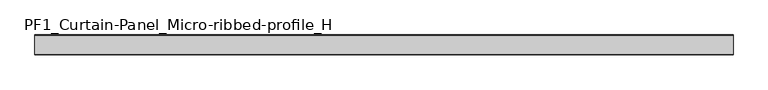
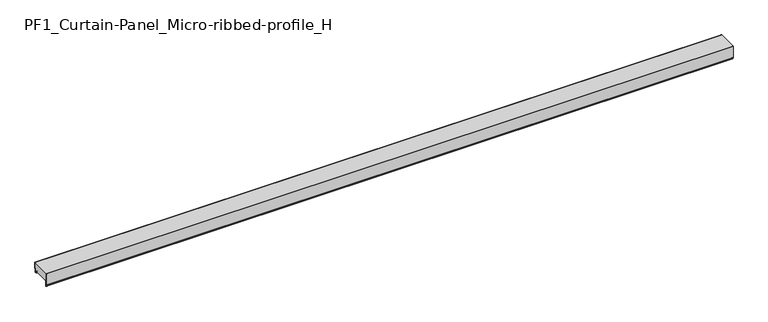
"""IFC4 building model written with IfcOpenShell, lengths in millimetres: plate geometry, PF1_Curtain-Panel_Micro-ribbed-profile_H."""

import ifcopenshell
import ifcopenshell.guid

model = None  # the IFC model being written
_history = None  # IfcOwnerHistory: only IFC2X3 demands one
_inside = {}  # id of a spatial element -> (the spatial element, [elements in it])
_under = {}  # id of a project, library or spatial element -> (it, [spatial elements below it])
_declared = {}  # id of a project -> (the project, [libraries it declares])
_typed = {}  # id of a type object -> (the type object, [elements of that type])
_made_of = {}  # id of a material, layer set ... -> (it, [elements and type objects made of it])


def new_model(schema):
    """Start an empty IFC model of exactly this schema.

    Asked for "IFC4X3", IfcOpenShell would pick the latest addendum, in which some entities
    have other attributes; the version numbers below select the first issue.
    IFC2X3 requires an IfcOwnerHistory on every rooted entity: one is made here for all.
    """
    global model, _history
    if schema == "IFC4X3":
        model = ifcopenshell.file(schema_version=(4, 3, 0, 0))
    else:
        model = ifcopenshell.file(schema=schema)
    _inside.clear()
    _under.clear()
    _declared.clear()
    _typed.clear()
    _made_of.clear()
    _history = None
    if model.schema == "IFC2X3":
        org = make("IfcOrganization", Name="unknown")
        user = make(
            "IfcPersonAndOrganization",
            ThePerson=make("IfcPerson", FamilyName="unknown"),
            TheOrganization=org,
        )
        app = make(
            "IfcApplication",
            ApplicationDeveloper=org,
            Version="unknown",
            ApplicationFullName="unknown",
            ApplicationIdentifier="unknown",
        )
        _history = make(
            "IfcOwnerHistory",
            OwningUser=user,
            OwningApplication=app,
            ChangeAction="ADDED",
            CreationDate=0,
        )
    return model


def make(cls, **values):
    """One entity of the class cls with the attributes given. An attribute that is None is left unset."""
    return model.create_entity(
        cls, **{name: value for name, value in values.items() if value is not None}
    )


def rooted(cls, **values):
    """An entity with a GlobalId (a new one), such as an element, a storey or a relation."""
    return make(cls, GlobalId=ifcopenshell.guid.new(), OwnerHistory=_history, **values)


def si_unit(unit_type, name, prefix=None):
    """IfcSIUnit, for example si_unit("LENGTHUNIT", "METRE", prefix="MILLI")."""
    return make("IfcSIUnit", UnitType=unit_type, Prefix=prefix, Name=name)


def assignment(units):
    """IfcUnitAssignment: the units of a project."""
    return None if units is None else make("IfcUnitAssignment", Units=units)


def point(xyz):
    """IfcCartesianPoint."""
    return None if xyz is None else make("IfcCartesianPoint", Coordinates=xyz)


def direction(xyz):
    """IfcDirection."""
    return None if xyz is None else make("IfcDirection", DirectionRatios=xyz)


def frame(location, z_axis=None, x_axis=None):
    """IfcAxis2Placement3D, a coordinate frame: its origin and axes. An axis left out is left unset."""
    return make(
        "IfcAxis2Placement3D",
        Location=point(location),
        Axis=direction(z_axis),
        RefDirection=direction(x_axis),
    )


def frame_2d(location, x_axis=None):
    """IfcAxis2Placement2D, a coordinate frame in the plane: its origin and x axis."""
    return make(
        "IfcAxis2Placement2D", Location=point(location), RefDirection=direction(x_axis)
    )


def origin():
    """The frame at (0, 0, 0) with its axes left unset."""
    return frame((0.0, 0.0, 0.0))


def place(relative_to, where):
    """IfcLocalPlacement: puts the frame where relative to a parent placement (None: the world)."""
    return make(
        "IfcLocalPlacement", PlacementRelTo=relative_to, RelativePlacement=where
    )


def context(
    kind, dimensions, precision=None, world=None, true_north=None, identifier=None
):
    """IfcGeometricRepresentationContext, for example the 3D "Model" context."""
    return make(
        "IfcGeometricRepresentationContext",
        ContextIdentifier=identifier,
        ContextType=kind,
        CoordinateSpaceDimension=dimensions,
        Precision=precision,
        WorldCoordinateSystem=world,
        TrueNorth=true_north,
    )


def project(units=None, contexts=None):
    """IfcProject with its units and contexts."""
    return rooted(
        "IfcProject",
        Name="project",
        RepresentationContexts=contexts,
        UnitsInContext=assignment(units),
    )


def spatial(cls, under=None, at=None, **own):
    """A site, building, storey or space (cls), placed at a placement, below another one or the project."""
    s = rooted(cls, ObjectPlacement=at, **own)
    if under is not None:
        _under.setdefault(under.id(), (under, []))[1].append(s)
    return s


def polyline(points):
    """IfcPolyline through the points."""
    return make("IfcPolyline", Points=[point(p) for p in points])


def circle_curve(where, radius):
    """IfcCircle in the frame where."""
    return make("IfcCircle", Position=where, Radius=radius)


def trimmed(basis, trim1, trim2, sense, master):
    """IfcTrimmedCurve: the piece of a basis curve between two trims."""
    return make(
        "IfcTrimmedCurve",
        BasisCurve=basis,
        Trim1=trim1,
        Trim2=trim2,
        SenseAgreement=sense,
        MasterRepresentation=master,
    )


def segment(curve, same_sense, transition):
    """IfcCompositeCurveSegment."""
    return make(
        "IfcCompositeCurveSegment",
        Transition=transition,
        SameSense=same_sense,
        ParentCurve=curve,
    )


def composite_curve(segments, self_intersect=None):
    """IfcCompositeCurve: segments joined end to end."""
    return make("IfcCompositeCurve", Segments=segments, SelfIntersect=self_intersect)


def outline(outer, holes=None, kind="AREA"):
    """IfcArbitraryClosedProfileDef: a profile drawn as a closed curve; with holes, ...WithVoids."""
    if holes is None:
        return make("IfcArbitraryClosedProfileDef", ProfileType=kind, OuterCurve=outer)
    return make(
        "IfcArbitraryProfileDefWithVoids",
        ProfileType=kind,
        OuterCurve=outer,
        InnerCurves=holes,
    )


def extrude(swept, where, along, depth):
    """IfcExtrudedAreaSolid: the profile swept, set in the frame where, extruded along a direction by depth."""
    return make(
        "IfcExtrudedAreaSolid",
        SweptArea=swept,
        Position=where,
        ExtrudedDirection=direction(along),
        Depth=depth,
    )


def shape(context_of_items, identifier, shape_type, items):
    """IfcShapeRepresentation: the items that make up one representation, for example the "Body"."""
    return make(
        "IfcShapeRepresentation",
        ContextOfItems=context_of_items,
        RepresentationIdentifier=identifier,
        RepresentationType=shape_type,
        Items=items,
    )


def source(mapping_origin, context_of_items, identifier, shape_type, items):
    """IfcRepresentationMap: a shape defined once, which mapped items show again and again."""
    return make(
        "IfcRepresentationMap",
        MappingOrigin=mapping_origin,
        MappedRepresentation=shape(context_of_items, identifier, shape_type, items),
    )


def transform(
    local_origin,
    x_axis=None,
    y_axis=None,
    z_axis=None,
    scale=None,
    scale2=None,
    scale3=None,
    uniform=True,
):
    """IfcCartesianTransformationOperator3D, or its non-uniform kind. x_axis, y_axis, z_axis: its Axis1, 2, 3."""
    if uniform:
        return make(
            "IfcCartesianTransformationOperator3D",
            Axis1=direction(x_axis),
            Axis2=direction(y_axis),
            LocalOrigin=point(local_origin),
            Scale=scale,
            Axis3=direction(z_axis),
        )
    return make(
        "IfcCartesianTransformationOperator3DnonUniform",
        Axis1=direction(x_axis),
        Axis2=direction(y_axis),
        LocalOrigin=point(local_origin),
        Scale=scale,
        Axis3=direction(z_axis),
        Scale2=scale2,
        Scale3=scale3,
    )


def mapped(mapping_source, mapping_target):
    """IfcMappedItem: shows the shape of a source again, moved by a transform."""
    return make(
        "IfcMappedItem", MappingSource=mapping_source, MappingTarget=mapping_target
    )


def made_of(thing, what):
    """Note that an element or type object is made of a material, layer set ...; save() writes the relation."""
    if what is not None:
        _made_of.setdefault(what.id(), (what, []))[1].append(thing)
    return thing


def element(
    cls,
    number,
    at=None,
    inside=None,
    cuts=None,
    type_object=None,
    material=None,
    context=None,
    identifier="Body",
    shape_type=None,
    held_by="IfcProductDefinitionShape",
    body=None,
    shapes=None,
    **own,
):
    """One element of the class cls, such as IfcWall. Its Tag is "e" and its number.

    at: its placement. inside: the storey or other place that contains it. cuts: it is an
    opening in that element (IfcRelVoidsElement). A single representation is given by context,
    identifier, shape_type and body (its items); several are given by shapes. held_by: the class
    of the entity that holds the representations. save() writes the other relations.
    """
    e = rooted(cls, Tag="e%d" % number, ObjectPlacement=at, **own)
    if body is not None:
        shapes = [shape(context, identifier, shape_type, body)]
    if shapes is not None:
        e.Representation = make(held_by, Representations=shapes)
    if inside is not None:
        _inside.setdefault(inside.id(), (inside, []))[1].append(e)
    if cuts is not None:
        rooted(
            "IfcRelVoidsElement", RelatingBuildingElement=cuts, RelatedOpeningElement=e
        )
    if type_object is not None:
        _typed.setdefault(type_object.id(), (type_object, []))[1].append(e)
    return made_of(e, material)


def aggregate(whole, parts):
    """IfcRelAggregates: a whole, such as a stair, and the parts it consists of."""
    return rooted("IfcRelAggregates", RelatingObject=whole, RelatedObjects=parts)


def save(model, path):
    """Write the relations noted so far, then the file.

    IfcRelAggregates (storeys below a building ...), IfcRelContainedInSpatialStructure (elements
    in a storey), IfcRelDefinesByType, IfcRelAssociatesMaterial and IfcRelDeclares: one each for
    every whole, place, type object, material and project.
    """
    for whole, parts in _under.values():
        aggregate(whole, parts)
    for where, things in _inside.values():
        rooted(
            "IfcRelContainedInSpatialStructure",
            RelatedElements=things,
            RelatingStructure=where,
        )
    for kind, things in _typed.values():
        rooted("IfcRelDefinesByType", RelatedObjects=things, RelatingType=kind)
    for what, things in _made_of.values():
        rooted("IfcRelAssociatesMaterial", RelatedObjects=things, RelatingMaterial=what)
    for by, libraries in _declared.values():
        rooted("IfcRelDeclares", RelatingContext=by, RelatedDefinitions=libraries)
    model.write(path)


def pf1_curtain_panel_micro_ribbed_profile_h_8598270d(model_context):
    return source(origin(), model_context, "Body", "SweptSolid", [
        extrude(outline(composite_curve([segment(polyline([(-110.0, 0.0), (-113.5, 0.0)]), True, "CONTINUOUS"), segment(trimmed(circle_curve(frame_2d((-113.5, -2.0)), 2.0), [point((-113.5, 0.0))], [point((-115.5, -2.0))], True, "CARTESIAN"), True, "CONTINUOUS"), segment(polyline([(-115.5, -2.0), (-115.5, -33.0)]), True, "CONTINUOUS"), segment(trimmed(circle_curve(frame_2d((-116.5, -33.0)), 1.0), [point((-115.5, -33.0))], [point((-117.5, -33.0))], False, "CARTESIAN"), True, "CONTINUOUS"), segment(polyline([(-117.5, -33.0), (-117.5, -26.9)]), True, "CONTINUOUS"), segment(trimmed(circle_curve(frame_2d((-118.4, -26.9)), 0.9), [point((-117.5, -26.9))], [point((-118.4, -26.0))], True, "CARTESIAN"), True, "CONTINUOUS"), segment(trimmed(circle_curve(frame_2d((-118.4, -24.4)), 1.6), [point((-118.4, -26.0))], [point((-120.0, -24.4))], False, "CARTESIAN"), True, "CONTINUOUS"), segment(polyline([(-120.0, -24.4), (-120.0, 50.0), (-119.2, 50.0), (-119.2, -24.4)]), True, "CONTINUOUS"), segment(trimmed(circle_curve(frame_2d((-118.4, -24.4)), 0.8), [point((-119.2, -24.4))], [point((-118.4, -25.2))], True, "CARTESIAN"), True, "CONTINUOUS"), segment(trimmed(circle_curve(frame_2d((-118.6133333, -26.9)), 1.7133333), [point((-118.4, -25.2))], [point((-116.9, -26.9))], False, "CARTESIAN"), True, "CONTINUOUS"), segment(polyline([(-116.9, -26.9), (-116.9, -32.8700312)]), True, "CONTINUOUS"), segment(trimmed(circle_curve(frame_2d((-116.6, -32.8700312)), 0.3), [point((-116.9, -32.8700312))], [point((-116.3, -32.8700312))], True, "CARTESIAN"), True, "CONTINUOUS"), segment(polyline([(-116.3, -32.8700312), (-116.3, -2.0)]), True, "CONTINUOUS"), segment(trimmed(circle_curve(frame_2d((-113.5, -2.0)), 2.8), [point((-116.3, -2.0))], [point((-113.5, 0.8))], False, "CARTESIAN"), True, "CONTINUOUS"), segment(polyline([(-113.5, 0.8), (-110.0, 0.8), (-110.0, 0.0)]), True, "CONTINUOUS")], self_intersect=False)), frame((-2100.0, 0.0, 0.0), z_axis=(1.0, 0.0, 0.0), x_axis=(0.0, 1.0, 0.0)), (0.0, 0.0, 1.0), 4200.0),
        extrude(outline(composite_curve([segment(polyline([(-15.878557, 0.0), (-20.0, 0.0), (-20.0, 0.8), (-15.878557, 0.8)]), True, "CONTINUOUS"), segment(trimmed(circle_curve(frame_2d((-15.878557, -2.0)), 2.8), [point((-15.878557, 0.8))], [point((-13.1503208, -1.370137))], False, "CARTESIAN"), True, "CONTINUOUS"), segment(polyline([(-13.1503208, -1.370137), (-11.728236, -7.529863)]), True, "CONTINUOUS"), segment(trimmed(circle_curve(frame_2d((-9.0, -6.9)), 2.8), [point((-11.728236, -7.529863))], [point((-6.2, -6.9))], True, "CARTESIAN"), True, "CONTINUOUS"), segment(polyline([(-6.2, -6.9), (-6.2, 8.6)]), True, "CONTINUOUS"), segment(trimmed(circle_curve(frame_2d((-3.4, 8.6)), 2.8), [point((-6.2, 8.6))], [point((-3.4, 11.4))], False, "CARTESIAN"), True, "CONTINUOUS"), segment(polyline([(-3.4, 11.4), (-2.0, 11.4)]), True, "CONTINUOUS"), segment(trimmed(circle_curve(frame_2d((-2.0, 12.6)), 1.2), [point((-2.0, 11.4))], [point((-0.8, 12.6))], True, "CARTESIAN"), True, "CONTINUOUS"), segment(polyline([(-0.8, 12.6), (-0.8, 50.0), (0.0, 50.0), (0.0, 12.6)]), True, "CONTINUOUS"), segment(trimmed(circle_curve(frame_2d((-2.0, 12.6)), 2.0), [point((0.0, 12.6))], [point((-2.0, 10.6))], False, "CARTESIAN"), True, "CONTINUOUS"), segment(polyline([(-2.0, 10.6), (-3.4, 10.6)]), True, "CONTINUOUS"), segment(trimmed(circle_curve(frame_2d((-3.4, 8.6)), 2.0), [point((-3.4, 10.6))], [point((-5.4, 8.6))], True, "CARTESIAN"), True, "CONTINUOUS"), segment(polyline([(-5.4, 8.6), (-5.4, -6.9)]), True, "CONTINUOUS"), segment(trimmed(circle_curve(frame_2d((-9.0, -6.9)), 3.6), [point((-5.4, -6.9))], [point((-12.5077322, -7.7098239))], False, "CARTESIAN"), True, "CONTINUOUS"), segment(polyline([(-12.5077322, -7.7098239), (-13.929817, -1.5500979)]), True, "CONTINUOUS"), segment(trimmed(circle_curve(frame_2d((-15.878557, -2.0)), 2.0), [point((-13.929817, -1.5500979))], [point((-15.878557, 0.0))], True, "CARTESIAN"), True, "CONTINUOUS")], self_intersect=False)), frame((-2100.0, 0.0, 0.0), z_axis=(1.0, 0.0, 0.0), x_axis=(0.0, 1.0, 0.0)), (0.0, 0.0, 1.0), 4200.0),
        extrude(outline(composite_curve([segment(polyline([(-110.0, 0.8), (-113.5, 0.8)]), True, "CONTINUOUS"), segment(trimmed(circle_curve(frame_2d((-113.5, -2.0)), 2.8), [point((-113.5, 0.8))], [point((-116.3, -2.0))], True, "CARTESIAN"), True, "CONTINUOUS"), segment(polyline([(-116.3, -2.0), (-116.3, -32.8700312)]), True, "CONTINUOUS"), segment(trimmed(circle_curve(frame_2d((-116.6, -32.8700312)), 0.3), [point((-116.3, -32.8700312))], [point((-116.9, -32.8700312))], False, "CARTESIAN"), True, "CONTINUOUS"), segment(polyline([(-116.9, -32.8700312), (-116.9, -26.9)]), True, "CONTINUOUS"), segment(trimmed(circle_curve(frame_2d((-118.6133333, -26.9)), 1.7133333), [point((-116.9, -26.9))], [point((-118.4, -25.2))], True, "CARTESIAN"), True, "CONTINUOUS"), segment(trimmed(circle_curve(frame_2d((-118.4, -24.4)), 0.8), [point((-118.4, -25.2))], [point((-119.2, -24.4))], False, "CARTESIAN"), True, "CONTINUOUS"), segment(polyline([(-119.2, -24.4), (-119.2, 50.0), (-0.8, 50.0), (-0.8, 12.6)]), True, "CONTINUOUS"), segment(trimmed(circle_curve(frame_2d((-2.0, 12.6)), 1.2), [point((-0.8, 12.6))], [point((-2.0, 11.4))], False, "CARTESIAN"), True, "CONTINUOUS"), segment(polyline([(-2.0, 11.4), (-3.4, 11.4)]), True, "CONTINUOUS"), segment(trimmed(circle_curve(frame_2d((-3.4, 8.6)), 2.8), [point((-3.4, 11.4))], [point((-6.2, 8.6))], True, "CARTESIAN"), True, "CONTINUOUS"), segment(polyline([(-6.2, 8.6), (-6.2, -6.9)]), True, "CONTINUOUS"), segment(trimmed(circle_curve(frame_2d((-9.0, -6.9)), 2.8), [point((-6.2, -6.9))], [point((-11.7282362, -7.529863))], False, "CARTESIAN"), True, "CONTINUOUS"), segment(polyline([(-11.7282362, -7.529863), (-13.1503208, -1.370137)]), True, "CONTINUOUS"), segment(trimmed(circle_curve(frame_2d((-15.878557, -2.0)), 2.8), [point((-13.1503208, -1.370137))], [point((-15.878557, 0.8))], True, "CARTESIAN"), True, "CONTINUOUS"), segment(polyline([(-15.878557, 0.8), (-20.0, 0.8), (-20.0, 0.0), (-110.0, 0.0), (-110.0, 0.8)]), True, "CONTINUOUS")], self_intersect=False)), frame((-2100.0, 0.0, 0.0), z_axis=(1.0, 0.0, 0.0), x_axis=(0.0, 1.0, 0.0)), (0.0, 0.0, 1.0), 4200.0),
    ])


if __name__ == "__main__":
    model = new_model("IFC4")
    model_context = context("Model", 3, world=origin())
    ifc_project = project(units=[si_unit("LENGTHUNIT", "METRE", prefix="MILLI")], contexts=[model_context])
    site = spatial("IfcSite", under=ifc_project)
    building = spatial("IfcBuilding", under=site)
    placement = place(None, origin())
    pf1_curtain_panel_micro_ribbed_profile_h_shape = pf1_curtain_panel_micro_ribbed_profile_h_8598270d(model_context)
    element("IfcPlate", 1, ObjectType="PF1_Curtain-Panel_Micro-ribbed-profile_H", at=placement, inside=building, context=model_context, shape_type="MappedRepresentation", body=[
        mapped(pf1_curtain_panel_micro_ribbed_profile_h_shape, transform((0.0, 0.0, 0.0), x_axis=(1.0, 0.0, 0.0), y_axis=(0.0, 1.0, 0.0), z_axis=(0.0, 0.0, 1.0))),
    ])
    save(model, "model.ifc")
